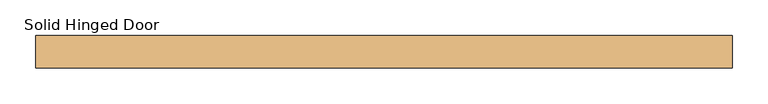
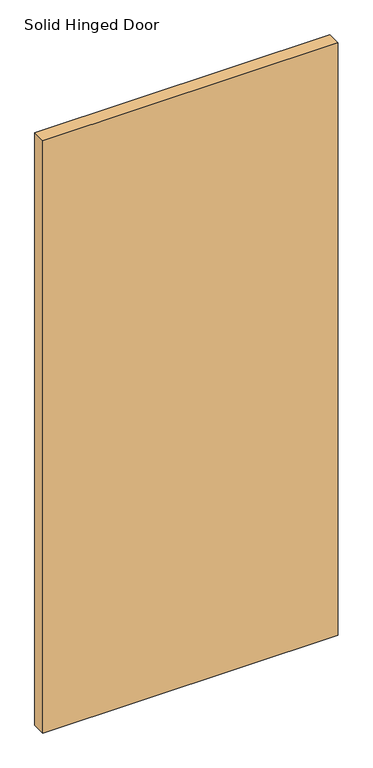
"""IFC4 building model written with IfcOpenShell, lengths in millimetres: door geometry, Solid Hinged Door."""

from ifc_helpers import new_model, si_unit, frame, origin, place, context, project, spatial, polyline, outline, extrude, source, transform, mapped, element, save


def solid_hinged_door_f8a57001(model_context):
    return source(origin(), model_context, "Body", "SweptSolid", [
        extrude(outline(polyline([(490.4564326, 23.114), (490.4564326, -23.114), (-490.4564326, -23.114), (-490.4564326, 23.114), (490.4564326, 23.114)])), frame((0.0, 0.0, 12.7), z_axis=(0.0, 0.0, 1.0), x_axis=(1.0, 0.0, 0.0)), (0.0, 0.0, 1.0), 2081.2635027),
    ])


if __name__ == "__main__":
    model = new_model("IFC4")
    model_context = context("Model", 3, world=origin())
    ifc_project = project(units=[si_unit("LENGTHUNIT", "METRE", prefix="MILLI")], contexts=[model_context])
    site = spatial("IfcSite", under=ifc_project)
    building = spatial("IfcBuilding", under=site)
    placement = place(None, origin())
    solid_hinged_door_shape = solid_hinged_door_f8a57001(model_context)
    element("IfcDoor", 1, ObjectType="Solid Hinged Door", at=placement, inside=building, context=model_context, shape_type="MappedRepresentation", body=[
        mapped(solid_hinged_door_shape, transform((0.0, 0.0, 0.0), x_axis=(1.0, 0.0, 0.0), y_axis=(0.0, 1.0, 0.0), z_axis=(0.0, 0.0, 1.0))),
    ])
    save(model, "model.ifc")
